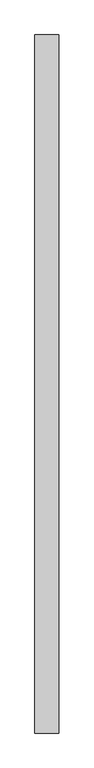
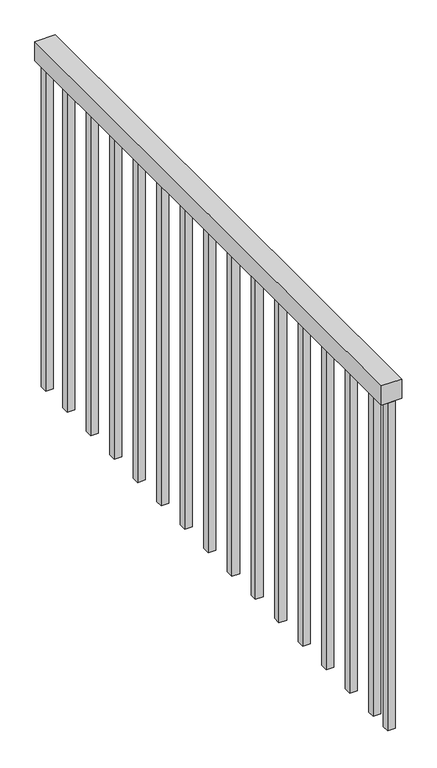
"""IFC4 building model written with IfcOpenShell, lengths in millimetres: railing geometry."""

from ifc_helpers import new_model, si_unit, frame, origin, origin_with_axes, place, context, project, spatial, polyline, outline, extrude, source, transform, mapped, element, save


def railing_1d86149c(model_context):
    return source(origin(), model_context, "Body", "SweptSolid", [
        extrude(outline(polyline([(-9230.1521003, 1522.1062192), (-9179.3521003, 1522.1062192), (-9179.3521003, 27.1062192), (-9230.1521003, 27.1062192), (-9230.1521003, 1522.1062192)])), frame((0.0, 0.0, 863.6), z_axis=(0.0, 0.0, 1.0), x_axis=(1.0, 0.0, 0.0)), (0.0, 0.0, 1.0), 50.8),
        extrude(outline(polyline([(-9214.2771003, 109.2312192), (-9195.2271003, 109.2312192), (-9195.2271003, 90.1812192), (-9214.2771003, 90.1812192), (-9214.2771003, 109.2312192)])), origin_with_axes(), (0.0, 0.0, 1.0), 863.6),
        extrude(outline(polyline([(-9214.2771003, 210.8312192), (-9195.2271003, 210.8312192), (-9195.2271003, 191.7812192), (-9214.2771003, 191.7812192), (-9214.2771003, 210.8312192)])), origin_with_axes(), (0.0, 0.0, 1.0), 863.6),
        extrude(outline(polyline([(-9214.2771003, 312.4312192), (-9195.2271003, 312.4312192), (-9195.2271003, 293.3812192), (-9214.2771003, 293.3812192), (-9214.2771003, 312.4312192)])), origin_with_axes(), (0.0, 0.0, 1.0), 863.6),
        extrude(outline(polyline([(-9214.2771003, 414.0312192), (-9195.2271003, 414.0312192), (-9195.2271003, 394.9812192), (-9214.2771003, 394.9812192), (-9214.2771003, 414.0312192)])), origin_with_axes(), (0.0, 0.0, 1.0), 863.6),
        extrude(outline(polyline([(-9214.2771003, 515.6312192), (-9195.2271003, 515.6312192), (-9195.2271003, 496.5812192), (-9214.2771003, 496.5812192), (-9214.2771003, 515.6312192)])), origin_with_axes(), (0.0, 0.0, 1.0), 863.6),
        extrude(outline(polyline([(-9214.2771003, 617.2312192), (-9195.2271003, 617.2312192), (-9195.2271003, 598.1812192), (-9214.2771003, 598.1812192), (-9214.2771003, 617.2312192)])), origin_with_axes(), (0.0, 0.0, 1.0), 863.6),
        extrude(outline(polyline([(-9214.2771003, 718.8312192), (-9195.2271003, 718.8312192), (-9195.2271003, 699.7812192), (-9214.2771003, 699.7812192), (-9214.2771003, 718.8312192)])), origin_with_axes(), (0.0, 0.0, 1.0), 863.6),
        extrude(outline(polyline([(-9214.2771003, 820.4312192), (-9195.2271003, 820.4312192), (-9195.2271003, 801.3812192), (-9214.2771003, 801.3812192), (-9214.2771003, 820.4312192)])), origin_with_axes(), (0.0, 0.0, 1.0), 863.6),
        extrude(outline(polyline([(-9214.2771003, 922.0312192), (-9195.2271003, 922.0312192), (-9195.2271003, 902.9812192), (-9214.2771003, 902.9812192), (-9214.2771003, 922.0312192)])), origin_with_axes(), (0.0, 0.0, 1.0), 863.6),
        extrude(outline(polyline([(-9214.2771003, 1023.6312192), (-9195.2271003, 1023.6312192), (-9195.2271003, 1004.5812192), (-9214.2771003, 1004.5812192), (-9214.2771003, 1023.6312192)])), origin_with_axes(), (0.0, 0.0, 1.0), 863.6),
        extrude(outline(polyline([(-9214.2771003, 1125.2312192), (-9195.2271003, 1125.2312192), (-9195.2271003, 1106.1812192), (-9214.2771003, 1106.1812192), (-9214.2771003, 1125.2312192)])), origin_with_axes(), (0.0, 0.0, 1.0), 863.6),
        extrude(outline(polyline([(-9214.2771003, 1226.8312192), (-9195.2271003, 1226.8312192), (-9195.2271003, 1207.7812192), (-9214.2771003, 1207.7812192), (-9214.2771003, 1226.8312192)])), origin_with_axes(), (0.0, 0.0, 1.0), 863.6),
        extrude(outline(polyline([(-9214.2771003, 1328.4312192), (-9195.2271003, 1328.4312192), (-9195.2271003, 1309.3812192), (-9214.2771003, 1309.3812192), (-9214.2771003, 1328.4312192)])), origin_with_axes(), (0.0, 0.0, 1.0), 863.6),
        extrude(outline(polyline([(-9214.2771003, 1430.0312192), (-9195.2271003, 1430.0312192), (-9195.2271003, 1410.9812192), (-9214.2771003, 1410.9812192), (-9214.2771003, 1430.0312192)])), origin_with_axes(), (0.0, 0.0, 1.0), 863.6),
        extrude(outline(polyline([(-9214.2771003, 46.1312192), (-9195.2271003, 46.1312192), (-9195.2271003, 27.0812192), (-9214.2771003, 27.0812192), (-9214.2771003, 46.1312192)])), origin_with_axes(), (0.0, 0.0, 1.0), 863.6),
        extrude(outline(polyline([(-9214.2771003, 1522.1312192), (-9195.2271003, 1522.1312192), (-9195.2271003, 1503.0812192), (-9214.2771003, 1503.0812192), (-9214.2771003, 1522.1312192)])), origin_with_axes(), (0.0, 0.0, 1.0), 863.6),
    ])


if __name__ == "__main__":
    model = new_model("IFC4")
    model_context = context("Model", 3, world=origin())
    ifc_project = project(units=[si_unit("LENGTHUNIT", "METRE", prefix="MILLI")], contexts=[model_context])
    site = spatial("IfcSite", under=ifc_project)
    building = spatial("IfcBuilding", under=site)
    placement = place(None, origin())
    railing_shape = railing_1d86149c(model_context)
    element("IfcRailing", 1, at=placement, inside=building, context=model_context, shape_type="MappedRepresentation", body=[
        mapped(railing_shape, transform((0.0, 0.0, 0.0), x_axis=(1.0, 0.0, 0.0), y_axis=(0.0, 1.0, 0.0), z_axis=(0.0, 0.0, 1.0))),
    ])
    save(model, "model.ifc")
